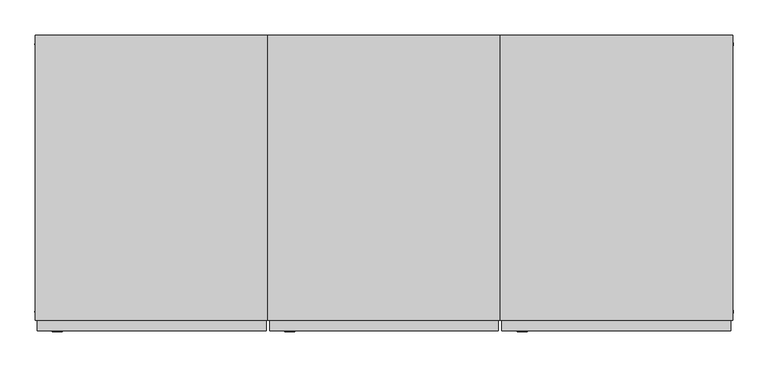
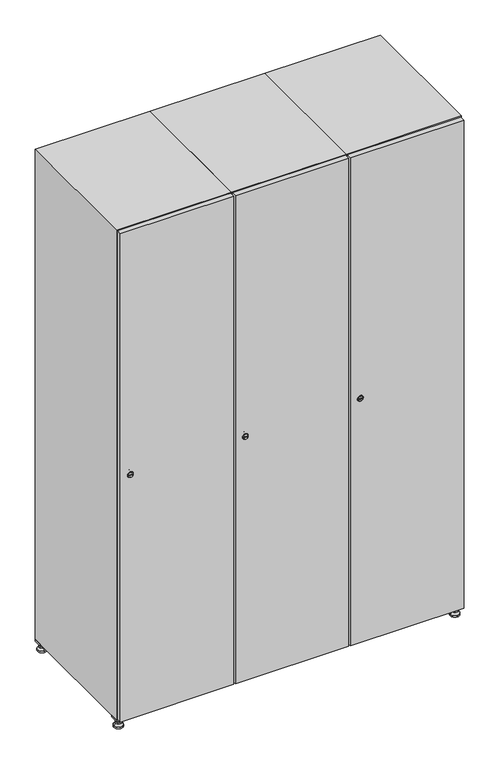
"""IFC4 building model written with IfcOpenShell, lengths in millimetres: furniture geometry."""

from ifc_helpers import new_model, si_unit, point, frame, frame_2d, origin, origin_with_axes, place, context, project, spatial, polyline, circle_curve, trimmed, segment, composite_curve, outline, extrude, faceted_brep, source, transform, mapped, element, save
from ifc_brep_helpers import plane_surface, revolved_surface, advanced_brep


def furniture_d18a1c43(model_context):
    return source(origin(), model_context, "Body", "SolidModel", [
        extrude(outline(polyline([(1000.0, 245.0), (1000.0, 215.0), (970.0, 215.0), (970.0, 245.0), (1000.0, 245.0)]), holes=[polyline([(998.0, 243.0), (972.0, 243.0), (972.0, 217.0), (998.0, 217.0), (998.0, 243.0)])]), frame((0.0, 0.0, 28.5), z_axis=(0.0, 0.0, 1.0), x_axis=(1.0, 0.0, 0.0)), (0.0, 0.0, 1.0), 6.5),
        extrude(outline(polyline([(970.0, -245.0), (970.0, -215.0), (1000.0, -215.0), (1000.0, -245.0), (970.0, -245.0)]), holes=[polyline([(972.0, -243.0), (998.0, -243.0), (998.0, -217.0), (972.0, -217.0), (972.0, -243.0)])]), frame((0.0, 0.0, 28.5), z_axis=(0.0, 0.0, 1.0), x_axis=(1.0, 0.0, 0.0)), (0.0, 0.0, 1.0), 6.5),
        extrude(outline(polyline([(-170.0, 245.0), (-170.0, 215.0), (-200.0, 215.0), (-200.0, 245.0), (-170.0, 245.0)]), holes=[polyline([(-172.0, 243.0), (-198.0, 243.0), (-198.0, 217.0), (-172.0, 217.0), (-172.0, 243.0)])]), frame((0.0, 0.0, 28.5), z_axis=(0.0, 0.0, 1.0), x_axis=(1.0, 0.0, 0.0)), (0.0, 0.0, 1.0), 6.5),
        extrude(outline(polyline([(-170.0, -215.0), (-170.0, -245.0), (-200.0, -245.0), (-200.0, -215.0), (-170.0, -215.0)]), holes=[polyline([(-198.0, -243.0), (-172.0, -243.0), (-172.0, -217.0), (-198.0, -217.0), (-198.0, -243.0)])]), frame((0.0, 0.0, 28.5), z_axis=(0.0, 0.0, 1.0), x_axis=(1.0, 0.0, 0.0)), (0.0, 0.0, 1.0), 6.5),
        extrude(outline(composite_curve([segment(trimmed(circle_curve(frame_2d((-185.0, 230.0)), 5.0), [point((-180.0, 230.0))], [point((-190.0, 230.0))], False, "CARTESIAN"), True, "CONTINUOUS"), segment(trimmed(circle_curve(frame_2d((-185.0, 230.0)), 5.0), [point((-190.0, 230.0))], [point((-180.0, 230.0))], False, "CARTESIAN"), True, "CONTINUOUS")], self_intersect=False)), frame((0.0, 0.0, 19.6), z_axis=(0.0, 0.0, 1.0), x_axis=(1.0, 0.0, 0.0)), (0.0, 0.0, 1.0), 15.4),
        extrude(outline(composite_curve([segment(trimmed(circle_curve(frame_2d((-185.0, -230.0)), 5.0), [point((-180.0, -230.0))], [point((-190.0, -230.0))], False, "CARTESIAN"), True, "CONTINUOUS"), segment(trimmed(circle_curve(frame_2d((-185.0, -230.0)), 5.0), [point((-190.0, -230.0))], [point((-180.0, -230.0))], False, "CARTESIAN"), True, "CONTINUOUS")], self_intersect=False)), frame((0.0, 0.0, 19.6), z_axis=(0.0, 0.0, 1.0), x_axis=(1.0, 0.0, 0.0)), (0.0, 0.0, 1.0), 15.4),
        extrude(outline(composite_curve([segment(trimmed(circle_curve(frame_2d((985.0, 230.0)), 5.0), [point((990.0, 230.0))], [point((980.0, 230.0))], False, "CARTESIAN"), True, "CONTINUOUS"), segment(trimmed(circle_curve(frame_2d((985.0, 230.0)), 5.0), [point((980.0, 230.0))], [point((990.0, 230.0))], False, "CARTESIAN"), True, "CONTINUOUS")], self_intersect=False)), frame((0.0, 0.0, 19.6), z_axis=(0.0, 0.0, 1.0), x_axis=(1.0, 0.0, 0.0)), (0.0, 0.0, 1.0), 15.4),
        extrude(outline(polyline([(973.4529946, 230.0), (979.2264973, 240.0), (990.7735027, 240.0), (996.5470054, 230.0), (990.7735027, 220.0), (979.2264973, 220.0), (973.4529946, 230.0)])), frame((0.0, 0.0, 13.6), z_axis=(0.0, 0.0, 1.0), x_axis=(1.0, 0.0, 0.0)), (0.0, 0.0, 1.0), 6.0),
        extrude(outline(composite_curve([segment(trimmed(circle_curve(frame_2d((985.0, -230.0)), 5.0), [point((990.0, -230.0))], [point((980.0, -230.0))], False, "CARTESIAN"), True, "CONTINUOUS"), segment(trimmed(circle_curve(frame_2d((985.0, -230.0)), 5.0), [point((980.0, -230.0))], [point((990.0, -230.0))], False, "CARTESIAN"), True, "CONTINUOUS")], self_intersect=False)), frame((0.0, 0.0, 19.6), z_axis=(0.0, 0.0, 1.0), x_axis=(1.0, 0.0, 0.0)), (0.0, 0.0, 1.0), 15.4),
        extrude(outline(polyline([(973.4529946, -230.0), (979.2264973, -220.0), (990.7735027, -220.0), (996.5470054, -230.0), (990.7735027, -240.0), (979.2264973, -240.0), (973.4529946, -230.0)])), frame((0.0, 0.0, 13.6), z_axis=(0.0, 0.0, 1.0), x_axis=(1.0, 0.0, 0.0)), (0.0, 0.0, 1.0), 6.0),
        extrude(outline(composite_curve([segment(trimmed(circle_curve(frame_2d((985.0, 230.0)), 5.0), [point((990.0, 230.0))], [point((980.0, 230.0))], False, "CARTESIAN"), True, "CONTINUOUS"), segment(trimmed(circle_curve(frame_2d((985.0, 230.0)), 5.0), [point((980.0, 230.0))], [point((990.0, 230.0))], False, "CARTESIAN"), True, "CONTINUOUS")], self_intersect=False)), frame((0.0, 0.0, 12.1), z_axis=(0.0, 0.0, 1.0), x_axis=(1.0, 0.0, 0.0)), (0.0, 0.0, 1.0), 1.5),
        extrude(outline(composite_curve([segment(trimmed(circle_curve(frame_2d((985.0, -230.0)), 5.0), [point((990.0, -230.0))], [point((980.0, -230.0))], False, "CARTESIAN"), True, "CONTINUOUS"), segment(trimmed(circle_curve(frame_2d((985.0, -230.0)), 5.0), [point((980.0, -230.0))], [point((990.0, -230.0))], False, "CARTESIAN"), True, "CONTINUOUS")], self_intersect=False)), frame((0.0, 0.0, 12.1), z_axis=(0.0, 0.0, 1.0), x_axis=(1.0, 0.0, 0.0)), (0.0, 0.0, 1.0), 1.5),
        extrude(outline(polyline([(-196.5470054, 230.0), (-190.7735027, 240.0), (-179.2264973, 240.0), (-173.4529946, 230.0), (-179.2264973, 220.0), (-190.7735027, 220.0), (-196.5470054, 230.0)])), frame((0.0, 0.0, 13.6), z_axis=(0.0, 0.0, 1.0), x_axis=(1.0, 0.0, 0.0)), (0.0, 0.0, 1.0), 6.0),
        extrude(outline(polyline([(-196.5470054, -230.0), (-190.7735027, -220.0), (-179.2264973, -220.0), (-173.4529946, -230.0), (-179.2264973, -240.0), (-190.7735027, -240.0), (-196.5470054, -230.0)])), frame((0.0, 0.0, 13.6), z_axis=(0.0, 0.0, 1.0), x_axis=(1.0, 0.0, 0.0)), (0.0, 0.0, 1.0), 6.0),
        extrude(outline(composite_curve([segment(trimmed(circle_curve(frame_2d((-185.0, 230.0)), 5.0), [point((-185.0, 235.0))], [point((-185.0, 225.0))], False, "CARTESIAN"), True, "CONTINUOUS"), segment(trimmed(circle_curve(frame_2d((-185.0, 230.0)), 5.0), [point((-185.0, 225.0))], [point((-185.0, 235.0))], False, "CARTESIAN"), True, "CONTINUOUS")], self_intersect=False)), frame((0.0, 0.0, 12.1), z_axis=(0.0, 0.0, 1.0), x_axis=(1.0, 0.0, 0.0)), (0.0, 0.0, 1.0), 1.5),
        extrude(outline(composite_curve([segment(trimmed(circle_curve(frame_2d((-185.0, -230.0)), 5.0), [point((-180.0, -230.0))], [point((-190.0, -230.0))], False, "CARTESIAN"), True, "CONTINUOUS"), segment(trimmed(circle_curve(frame_2d((-185.0, -230.0)), 5.0), [point((-190.0, -230.0))], [point((-180.0, -230.0))], False, "CARTESIAN"), True, "CONTINUOUS")], self_intersect=False)), frame((0.0, 0.0, 12.1), z_axis=(0.0, 0.0, 1.0), x_axis=(1.0, 0.0, 0.0)), (0.0, 0.0, 1.0), 1.5),
        extrude(outline(composite_curve([segment(trimmed(circle_curve(frame_2d((985.0, 230.0)), 15.75), [point((1000.75, 230.0))], [point((969.25, 230.0))], False, "CARTESIAN"), True, "CONTINUOUS"), segment(trimmed(circle_curve(frame_2d((985.0, 230.0)), 15.75), [point((969.25, 230.0))], [point((1000.75, 230.0))], False, "CARTESIAN"), True, "CONTINUOUS")], self_intersect=False)), origin_with_axes(), (0.0, 0.0, 1.0), 5.1),
        extrude(outline(composite_curve([segment(trimmed(circle_curve(frame_2d((985.0, -230.0)), 15.75), [point((985.0, -214.25))], [point((985.0, -245.75))], False, "CARTESIAN"), True, "CONTINUOUS"), segment(trimmed(circle_curve(frame_2d((985.0, -230.0)), 15.75), [point((985.0, -245.75))], [point((985.0, -214.25))], False, "CARTESIAN"), True, "CONTINUOUS")], self_intersect=False)), origin_with_axes(), (0.0, 0.0, 1.0), 5.1),
        extrude(outline(composite_curve([segment(trimmed(circle_curve(frame_2d((-185.0, -230.0)), 15.75), [point((-169.25, -230.0))], [point((-200.75, -230.0))], False, "CARTESIAN"), True, "CONTINUOUS"), segment(trimmed(circle_curve(frame_2d((-185.0, -230.0)), 15.75), [point((-200.75, -230.0))], [point((-169.25, -230.0))], False, "CARTESIAN"), True, "CONTINUOUS")], self_intersect=False)), origin_with_axes(), (0.0, 0.0, 1.0), 5.1),
        extrude(outline(composite_curve([segment(trimmed(circle_curve(frame_2d((-185.0, 230.0)), 15.75), [point((-169.25, 230.0))], [point((-200.75, 230.0))], False, "CARTESIAN"), True, "CONTINUOUS"), segment(trimmed(circle_curve(frame_2d((-185.0, 230.0)), 15.75), [point((-200.75, 230.0))], [point((-169.25, 230.0))], False, "CARTESIAN"), True, "CONTINUOUS")], self_intersect=False)), origin_with_axes(), (0.0, 0.0, 1.0), 5.1),
        advanced_brep(
        [(-185.0, 239.5, 12.1), (-185.0, 220.5, 12.1), (-185.0, 214.25, 5.1), (-185.0, 245.75, 5.1)],
        [
            (0, 1, circle_curve(frame((-185.0, 230.0, 12.1), z_axis=(0.0, 0.0, -1.0), x_axis=(0.0, 1.0, 0.0)), 9.5)),
            (1, 2),
            (2, 3, circle_curve(frame((-185.0, 230.0, 5.1), z_axis=(0.0, 0.0, 1.0), x_axis=(0.0, 1.0, 0.0)), 15.75)),
            (3, 0),
            (1, 0, circle_curve(frame((-185.0, 230.0, 12.1), z_axis=(0.0, 0.0, -1.0), x_axis=(0.0, -1.0, 0.0)), 9.5)),
            (3, 2, circle_curve(frame((-185.0, 230.0, 5.1), z_axis=(0.0, 0.0, 1.0), x_axis=(0.0, -1.0, 0.0)), 15.75)),
        ],
        [
            revolved_surface(polyline([(-185.0, 220.5, 12.099999999999998), (-185.0, 214.25, 5.099999999999998)]), (-185.0, 230.0, 22.74), (0.0, 0.0, -1.0)),
            revolved_surface(polyline([(-185.0, 239.5, 12.099999999999998), (-185.0, 245.75, 5.099999999999998)]), (-185.0, 230.0, 22.74), (0.0, 0.0, -1.0)),
            plane_surface(frame((-185.0, 230.0, 5.1), z_axis=(0.0, 0.0, -1.0), x_axis=(1.0, 0.0, 0.0))),
            plane_surface(frame((-185.0, 230.0, 12.1), z_axis=(0.0, 0.0, 1.0), x_axis=(1.0, 0.0, 0.0))),
        ],
        [
            (0, [[1, 2, 3, 4]]),
            (1, [[5, -4, 6, -2]]),
            (2, [[-3, -6]]),
            (3, [[-5, -1]]),
        ],
    ),
        advanced_brep(
        [(985.0, 239.5, 12.1), (985.0, 220.5, 12.1), (985.0, 214.25, 5.1), (985.0, 245.75, 5.1)],
        [
            (0, 1, circle_curve(frame((985.0, 230.0, 12.1), z_axis=(0.0, 0.0, -1.0), x_axis=(0.0, 1.0, 0.0)), 9.5)),
            (1, 2),
            (2, 3, circle_curve(frame((985.0, 230.0, 5.1), z_axis=(0.0, 0.0, 1.0), x_axis=(0.0, 1.0, 0.0)), 15.75)),
            (3, 0),
            (1, 0, circle_curve(frame((985.0, 230.0, 12.1), z_axis=(0.0, 0.0, -1.0), x_axis=(0.0, -1.0, 0.0)), 9.5)),
            (3, 2, circle_curve(frame((985.0, 230.0, 5.1), z_axis=(0.0, 0.0, 1.0), x_axis=(0.0, -1.0, 0.0)), 15.75)),
        ],
        [
            revolved_surface(polyline([(985.0, 220.5, 12.099999999999998), (985.0, 214.25, 5.099999999999998)]), (985.0, 230.0, 22.74), (0.0, 0.0, -1.0)),
            revolved_surface(polyline([(985.0, 239.5, 12.099999999999998), (985.0, 245.75, 5.099999999999998)]), (985.0, 230.0, 22.74), (0.0, 0.0, -1.0)),
            plane_surface(frame((985.0, 230.0, 5.1), z_axis=(0.0, 0.0, -1.0), x_axis=(1.0, 0.0, 0.0))),
            plane_surface(frame((985.0, 230.0, 12.1), z_axis=(0.0, 0.0, 1.0), x_axis=(1.0, 0.0, 0.0))),
        ],
        [
            (0, [[1, 2, 3, 4]]),
            (1, [[5, -4, 6, -2]]),
            (2, [[-3, -6]]),
            (3, [[-5, -1]]),
        ],
    ),
        advanced_brep(
        [(1000.75, -230.0, 5.1), (969.25, -230.0, 5.1), (975.5, -230.0, 12.1), (994.5, -230.0, 12.1)],
        [
            (0, 1, circle_curve(frame((985.0, -230.0, 5.1), z_axis=(0.0, 0.0, 1.0), x_axis=(1.0, 0.0, 0.0)), 15.75)),
            (1, 2),
            (2, 3, circle_curve(frame((985.0, -230.0, 12.1), z_axis=(0.0, 0.0, -1.0), x_axis=(1.0, 0.0, 0.0)), 9.5)),
            (3, 0),
            (1, 0, circle_curve(frame((985.0, -230.0, 5.1), z_axis=(0.0, 0.0, 1.0), x_axis=(-1.0, 0.0, 0.0)), 15.75)),
            (3, 2, circle_curve(frame((985.0, -230.0, 12.1), z_axis=(0.0, 0.0, -1.0), x_axis=(-1.0, 0.0, 0.0)), 9.5)),
        ],
        [
            revolved_surface(polyline([(994.5, -230.0, 12.099999999999998), (1000.75, -230.0, 5.099999999999998)]), (985.0, -230.0, 22.74), (0.0, 0.0, -1.0)),
            revolved_surface(polyline([(975.5, -230.0, 12.099999999999998), (969.25, -230.0, 5.099999999999998)]), (985.0, -230.0, 22.74), (0.0, 0.0, -1.0)),
            plane_surface(frame((985.0, -230.0, 12.1), z_axis=(0.0, 0.0, 1.0), x_axis=(0.0, 1.0, 0.0))),
            plane_surface(frame((985.0, -230.0, 5.1), z_axis=(0.0, 0.0, -1.0), x_axis=(0.0, 1.0, 0.0))),
        ],
        [
            (0, [[1, 2, 3, 4]]),
            (1, [[5, -4, 6, -2]]),
            (2, [[-3, -6]]),
            (3, [[-5, -1]]),
        ],
    ),
        advanced_brep(
        [(-169.25, -230.0, 5.1), (-200.75, -230.0, 5.1), (-194.5, -230.0, 12.1), (-175.5, -230.0, 12.1)],
        [
            (0, 1, circle_curve(frame((-185.0, -230.0, 5.1), z_axis=(0.0, 0.0, 1.0), x_axis=(1.0, 0.0, 0.0)), 15.75)),
            (1, 2),
            (2, 3, circle_curve(frame((-185.0, -230.0, 12.1), z_axis=(0.0, 0.0, -1.0), x_axis=(1.0, 0.0, 0.0)), 9.5)),
            (3, 0),
            (1, 0, circle_curve(frame((-185.0, -230.0, 5.1), z_axis=(0.0, 0.0, 1.0), x_axis=(-1.0, 0.0, 0.0)), 15.75)),
            (3, 2, circle_curve(frame((-185.0, -230.0, 12.1), z_axis=(0.0, 0.0, -1.0), x_axis=(-1.0, 0.0, 0.0)), 9.5)),
        ],
        [
            revolved_surface(polyline([(-175.5, -230.0, 12.099999999999998), (-169.25, -230.0, 5.099999999999998)]), (-185.0, -230.0, 22.74), (0.0, 0.0, -1.0)),
            revolved_surface(polyline([(-194.5, -230.0, 12.099999999999998), (-200.75, -230.0, 5.099999999999998)]), (-185.0, -230.0, 22.74), (0.0, 0.0, -1.0)),
            plane_surface(frame((-185.0, -230.0, 12.1), z_axis=(0.0, 0.0, 1.0), x_axis=(0.0, 1.0, 0.0))),
            plane_surface(frame((-185.0, -230.0, 5.1), z_axis=(0.0, 0.0, -1.0), x_axis=(0.0, 1.0, 0.0))),
        ],
        [
            (0, [[1, 2, 3, 4]]),
            (1, [[5, -4, 6, -2]]),
            (2, [[-3, -6]]),
            (3, [[-5, -1]]),
        ],
    ),
        extrude(outline(composite_curve([segment(trimmed(circle_curve(frame_2d((935.0, 611.2010534)), 7.0), [point((942.0, 611.2010534))], [point((928.0, 611.2010534))], False, "CARTESIAN"), True, "CONTINUOUS"), segment(polyline([(928.0, 611.2010534), (928.0, 639.2010534)]), True, "CONTINUOUS"), segment(trimmed(circle_curve(frame_2d((935.0, 639.2010534)), 7.0), [point((928.0, 639.2010534))], [point((942.0, 639.2010534))], False, "CARTESIAN"), True, "CONTINUOUS"), segment(polyline([(942.0, 639.2010534), (942.0, 611.2010534)]), True, "CONTINUOUS")], self_intersect=False)), frame((0.0, -245.0, 0.0), z_axis=(0.0, 1.0, 0.0), x_axis=(0.0, 0.0, 1.0)), (0.0, 0.0, 1.0), 2.0),
        advanced_brep(
        [(646.5, -265.2, 935.0), (629.5, -265.2, 935.0), (633.0, -265.2, 933.75), (633.0, -265.2, 936.25), (643.0, -265.2, 936.25), (643.0, -265.2, 933.75), (648.5, -263.0, 935.0), (627.5, -263.0, 935.0), (633.0, -263.0, 936.25), (633.0, -263.0, 933.75), (643.0, -263.0, 933.75), (643.0, -263.0, 936.25)],
        [
            (0, 1, circle_curve(frame((638.0, -265.2, 935.0), z_axis=(0.0, -1.0, 0.0), x_axis=(1.0, 0.0, 0.0)), 8.5)),
            (1, 0, circle_curve(frame((638.0, -265.2, 935.0), z_axis=(0.0, -1.0, 0.0), x_axis=(-1.0, 0.0, 0.0)), 8.5)),
            (2, 3),
            (3, 4),
            (4, 5),
            (5, 2),
            (6, 7, circle_curve(frame((638.0, -263.0, 935.0), z_axis=(0.0, 1.0, 0.0), x_axis=(-1.0, 0.0, 0.0)), 10.5)),
            (7, 6, circle_curve(frame((638.0, -263.0, 935.0), z_axis=(0.0, 1.0, 0.0), x_axis=(1.0, 0.0, 0.0)), 10.5)),
            (8, 9),
            (9, 10),
            (10, 11),
            (11, 8),
            (0, 6),
            (7, 1),
            (8, 3),
            (2, 9),
            (11, 4),
            (10, 5),
        ],
        [
            plane_surface(frame((638.0, -265.2, 935.0), z_axis=(0.0, -1.0, 0.0), x_axis=(0.0, 0.0, 1.0))),
            plane_surface(frame((638.0, -263.0, 935.0), z_axis=(0.0, 1.0, 0.0), x_axis=(0.0, 0.0, 1.0))),
            revolved_surface(polyline([(646.5, -265.2, 935.0), (648.5, -263.0, 935.0)]), (638.0, -274.55, 935.0), (0.0, 1.0, 0.0)),
            revolved_surface(polyline([(629.5, -265.2, 935.0), (627.5, -263.0, 935.0)]), (638.0, -274.55, 935.0), (0.0, 1.0, 0.0)),
            plane_surface(frame((633.0, -263.0, 933.75), z_axis=(1.0, 0.0, 0.0), x_axis=(0.0, -1.0, 0.0))),
            plane_surface(frame((633.0, -263.0, 936.25), z_axis=(0.0, 0.0, -1.0), x_axis=(0.0, -1.0, 0.0))),
            plane_surface(frame((643.0, -263.0, 936.25), z_axis=(-1.0, 0.0, 0.0), x_axis=(0.0, -1.0, 0.0))),
            plane_surface(frame((643.0, -263.0, 933.75), z_axis=(0.0, 0.0, 1.0), x_axis=(0.0, -1.0, 0.0))),
        ],
        [
            (0, [[1, 2], [3, 4, 5, 6]]),
            (1, [[7, 8], [9, 10, 11, 12]]),
            (2, [[-1, 13, -8, 14]]),
            (3, [[-2, -14, -7, -13]]),
            (4, [[15, -3, 16, -9]]),
            (5, [[-15, -12, 17, -4]]),
            (6, [[-17, -11, 18, -5]]),
            (7, [[-16, -6, -18, -10]]),
        ],
    ),
        extrude(outline(polyline([(997.0, -245.0), (997.0, -263.0), (603.0, -263.0), (603.0, -245.0), (997.0, -245.0)])), frame((0.0, 0.0, 38.0), z_axis=(0.0, 0.0, 1.0), x_axis=(1.0, 0.0, 0.0)), (0.0, 0.0, 1.0), 1794.0),
        faceted_brep([(1000.0, -245.0, 35.0), (1000.0, -245.0, 1835.0), (600.0, -245.0, 1835.0), (600.0, -245.0, 35.0), (979.6, -245.0, 1804.8), (979.6, -245.0, 65.2), (620.4, -245.0, 65.2), (620.4, -245.0, 1804.8), (1000.0, 245.0, 35.0), (600.0, 245.0, 35.0), (1000.0, 245.0, 1835.0), (600.0, 245.0, 1835.0), (979.6, 242.0, 1804.8), (979.6, 242.0, 65.2), (600.0, 245.0, 1804.8), (620.4, 242.0, 1804.8), (620.4, 242.0, 65.2)], [[[0, 1, 2, 3], [4, 5, 6, 7]], [[8, 0, 3, 9]], [[1, 0, 8, 10]], [[1, 10, 11, 2]], [[4, 12, 13, 5]], [[9, 3, 2, 11, 14]], [[10, 8, 9, 14, 11]], [[12, 15, 16, 13]], [[15, 7, 6, 16]], [[4, 7, 15, 12]], [[6, 5, 13, 16]]]),
        extrude(outline(composite_curve([segment(trimmed(circle_curve(frame_2d((935.0, 211.2010534)), 7.0), [point((942.0, 211.2010534))], [point((928.0, 211.2010534))], False, "CARTESIAN"), True, "CONTINUOUS"), segment(polyline([(928.0, 211.2010534), (928.0, 239.2010534)]), True, "CONTINUOUS"), segment(trimmed(circle_curve(frame_2d((935.0, 239.2010534)), 7.0), [point((928.0, 239.2010534))], [point((942.0, 239.2010534))], False, "CARTESIAN"), True, "CONTINUOUS"), segment(polyline([(942.0, 239.2010534), (942.0, 211.2010534)]), True, "CONTINUOUS")], self_intersect=False)), frame((0.0, -245.0, 0.0), z_axis=(0.0, 1.0, 0.0), x_axis=(0.0, 0.0, 1.0)), (0.0, 0.0, 1.0), 2.0),
        advanced_brep(
        [(246.5, -265.2, 935.0), (229.5, -265.2, 935.0), (233.0, -265.2, 933.75), (233.0, -265.2, 936.25), (243.0, -265.2, 936.25), (243.0, -265.2, 933.75), (248.5, -263.0, 935.0), (227.5, -263.0, 935.0), (233.0, -263.0, 936.25), (233.0, -263.0, 933.75), (243.0, -263.0, 933.75), (243.0, -263.0, 936.25)],
        [
            (0, 1, circle_curve(frame((238.0, -265.2, 935.0), z_axis=(0.0, -1.0, 0.0), x_axis=(1.0, 0.0, 0.0)), 8.5)),
            (1, 0, circle_curve(frame((238.0, -265.2, 935.0), z_axis=(0.0, -1.0, 0.0), x_axis=(-1.0, 0.0, 0.0)), 8.5)),
            (2, 3),
            (3, 4),
            (4, 5),
            (5, 2),
            (6, 7, circle_curve(frame((238.0, -263.0, 935.0), z_axis=(0.0, 1.0, 0.0), x_axis=(-1.0, 0.0, 0.0)), 10.5)),
            (7, 6, circle_curve(frame((238.0, -263.0, 935.0), z_axis=(0.0, 1.0, 0.0), x_axis=(1.0, 0.0, 0.0)), 10.5)),
            (8, 9),
            (9, 10),
            (10, 11),
            (11, 8),
            (0, 6),
            (7, 1),
            (8, 3),
            (2, 9),
            (11, 4),
            (10, 5),
        ],
        [
            plane_surface(frame((238.0, -265.2, 935.0), z_axis=(0.0, -1.0, 0.0), x_axis=(0.0, 0.0, 1.0))),
            plane_surface(frame((238.0, -263.0, 935.0), z_axis=(0.0, 1.0, 0.0), x_axis=(0.0, 0.0, 1.0))),
            revolved_surface(polyline([(246.5, -265.2, 935.0), (248.5, -263.0, 935.0)]), (238.0, -274.55, 935.0), (0.0, 1.0, 0.0)),
            revolved_surface(polyline([(229.5, -265.2, 935.0), (227.5, -263.0, 935.0)]), (238.0, -274.55, 935.0), (0.0, 1.0, 0.0)),
            plane_surface(frame((233.0, -263.0, 933.75), z_axis=(1.0, 0.0, 0.0), x_axis=(0.0, -1.0, 0.0))),
            plane_surface(frame((233.0, -263.0, 936.25), z_axis=(0.0, 0.0, -1.0), x_axis=(0.0, -1.0, 0.0))),
            plane_surface(frame((243.0, -263.0, 936.25), z_axis=(-1.0, 0.0, 0.0), x_axis=(0.0, -1.0, 0.0))),
            plane_surface(frame((243.0, -263.0, 933.75), z_axis=(0.0, 0.0, 1.0), x_axis=(0.0, -1.0, 0.0))),
        ],
        [
            (0, [[1, 2], [3, 4, 5, 6]]),
            (1, [[7, 8], [9, 10, 11, 12]]),
            (2, [[-1, 13, -8, 14]]),
            (3, [[-2, -14, -7, -13]]),
            (4, [[15, -3, 16, -9]]),
            (5, [[-15, -12, 17, -4]]),
            (6, [[-17, -11, 18, -5]]),
            (7, [[-16, -6, -18, -10]]),
        ],
    ),
        extrude(outline(polyline([(597.0, -245.0), (597.0, -263.0), (203.0, -263.0), (203.0, -245.0), (597.0, -245.0)])), frame((0.0, 0.0, 38.0), z_axis=(0.0, 0.0, 1.0), x_axis=(1.0, 0.0, 0.0)), (0.0, 0.0, 1.0), 1794.0),
        faceted_brep([(600.0, -245.0, 35.0), (600.0, -245.0, 1835.0), (200.0, -245.0, 1835.0), (200.0, -245.0, 35.0), (579.6, -245.0, 1804.8), (579.6, -245.0, 65.2), (220.4, -245.0, 65.2), (220.4, -245.0, 1804.8), (600.0, 245.0, 35.0), (200.0, 245.0, 35.0), (600.0, 245.0, 1835.0), (200.0, 245.0, 1835.0), (579.6, 242.0, 1804.8), (579.6, 242.0, 65.2), (200.0, 245.0, 1804.8), (220.4, 242.0, 1804.8), (220.4, 242.0, 65.2)], [[[0, 1, 2, 3], [4, 5, 6, 7]], [[8, 0, 3, 9]], [[1, 0, 8, 10]], [[1, 10, 11, 2]], [[4, 12, 13, 5]], [[9, 3, 2, 11, 14]], [[10, 8, 9, 14, 11]], [[12, 15, 16, 13]], [[15, 7, 6, 16]], [[4, 7, 15, 12]], [[6, 5, 13, 16]]]),
        extrude(outline(composite_curve([segment(trimmed(circle_curve(frame_2d((935.0, -188.7989466)), 7.0), [point((942.0, -188.7989466))], [point((928.0, -188.7989466))], False, "CARTESIAN"), True, "CONTINUOUS"), segment(polyline([(928.0, -188.7989466), (928.0, -160.7989466)]), True, "CONTINUOUS"), segment(trimmed(circle_curve(frame_2d((935.0, -160.7989466)), 7.0), [point((928.0, -160.7989466))], [point((942.0, -160.7989466))], False, "CARTESIAN"), True, "CONTINUOUS"), segment(polyline([(942.0, -160.7989466), (942.0, -188.7989466)]), True, "CONTINUOUS")], self_intersect=False)), frame((0.0, -245.0, 0.0), z_axis=(0.0, 1.0, 0.0), x_axis=(0.0, 0.0, 1.0)), (0.0, 0.0, 1.0), 2.0),
        advanced_brep(
        [(-153.5, -265.2, 935.0), (-170.5, -265.2, 935.0), (-167.0, -265.2, 933.75), (-167.0, -265.2, 936.25), (-157.0, -265.2, 936.25), (-157.0, -265.2, 933.75), (-151.5, -263.0, 935.0), (-172.5, -263.0, 935.0), (-167.0, -263.0, 936.25), (-167.0, -263.0, 933.75), (-157.0, -263.0, 933.75), (-157.0, -263.0, 936.25)],
        [
            (0, 1, circle_curve(frame((-162.0, -265.2, 935.0), z_axis=(0.0, -1.0, 0.0), x_axis=(1.0, 0.0, 0.0)), 8.5)),
            (1, 0, circle_curve(frame((-162.0, -265.2, 935.0), z_axis=(0.0, -1.0, 0.0), x_axis=(-1.0, 0.0, 0.0)), 8.5)),
            (2, 3),
            (3, 4),
            (4, 5),
            (5, 2),
            (6, 7, circle_curve(frame((-162.0, -263.0, 935.0), z_axis=(0.0, 1.0, 0.0), x_axis=(-1.0, 0.0, 0.0)), 10.5)),
            (7, 6, circle_curve(frame((-162.0, -263.0, 935.0), z_axis=(0.0, 1.0, 0.0), x_axis=(1.0, 0.0, 0.0)), 10.5)),
            (8, 9),
            (9, 10),
            (10, 11),
            (11, 8),
            (0, 6),
            (7, 1),
            (8, 3),
            (2, 9),
            (11, 4),
            (10, 5),
        ],
        [
            plane_surface(frame((-162.0, -265.2, 935.0), z_axis=(0.0, -1.0, 0.0), x_axis=(0.0, 0.0, 1.0))),
            plane_surface(frame((-162.0, -263.0, 935.0), z_axis=(0.0, 1.0, 0.0), x_axis=(0.0, 0.0, 1.0))),
            revolved_surface(polyline([(-153.5, -265.2, 935.0), (-151.5, -263.0, 935.0)]), (-162.0, -274.55, 935.0), (0.0, 1.0, 0.0)),
            revolved_surface(polyline([(-170.5, -265.2, 935.0), (-172.5, -263.0, 935.0)]), (-162.0, -274.55, 935.0), (0.0, 1.0, 0.0)),
            plane_surface(frame((-167.0, -263.0, 933.75), z_axis=(1.0, 0.0, 0.0), x_axis=(0.0, -1.0, 0.0))),
            plane_surface(frame((-167.0, -263.0, 936.25), z_axis=(0.0, 0.0, -1.0), x_axis=(0.0, -1.0, 0.0))),
            plane_surface(frame((-157.0, -263.0, 936.25), z_axis=(-1.0, 0.0, 0.0), x_axis=(0.0, -1.0, 0.0))),
            plane_surface(frame((-157.0, -263.0, 933.75), z_axis=(0.0, 0.0, 1.0), x_axis=(0.0, -1.0, 0.0))),
        ],
        [
            (0, [[1, 2], [3, 4, 5, 6]]),
            (1, [[7, 8], [9, 10, 11, 12]]),
            (2, [[-1, 13, -8, 14]]),
            (3, [[-2, -14, -7, -13]]),
            (4, [[15, -3, 16, -9]]),
            (5, [[-15, -12, 17, -4]]),
            (6, [[-17, -11, 18, -5]]),
            (7, [[-16, -6, -18, -10]]),
        ],
    ),
        extrude(outline(polyline([(197.0, -245.0), (197.0, -263.0), (-197.0, -263.0), (-197.0, -245.0), (197.0, -245.0)])), frame((0.0, 0.0, 38.0), z_axis=(0.0, 0.0, 1.0), x_axis=(1.0, 0.0, 0.0)), (0.0, 0.0, 1.0), 1794.0),
        faceted_brep([(200.0, -245.0, 35.0), (200.0, -245.0, 1835.0), (-200.0, -245.0, 1835.0), (-200.0, -245.0, 35.0), (179.6, -245.0, 1804.8), (179.6, -245.0, 65.2), (-179.6, -245.0, 65.2), (-179.6, -245.0, 1804.8), (200.0, 245.0, 35.0), (-200.0, 245.0, 35.0), (200.0, 245.0, 1835.0), (-200.0, 245.0, 1835.0), (179.6, 242.0, 1804.8), (179.6, 242.0, 65.2), (-200.0, 245.0, 1804.8), (-179.6, 242.0, 1804.8), (-179.6, 242.0, 65.2)], [[[0, 1, 2, 3], [4, 5, 6, 7]], [[8, 0, 3, 9]], [[1, 0, 8, 10]], [[1, 10, 11, 2]], [[4, 12, 13, 5]], [[9, 3, 2, 11, 14]], [[10, 8, 9, 14, 11]], [[12, 15, 16, 13]], [[15, 7, 6, 16]], [[4, 7, 15, 12]], [[6, 5, 13, 16]]]),
    ])


if __name__ == "__main__":
    model = new_model("IFC4")
    model_context = context("Model", 3, world=origin())
    ifc_project = project(units=[si_unit("LENGTHUNIT", "METRE", prefix="MILLI")], contexts=[model_context])
    site = spatial("IfcSite", under=ifc_project)
    building = spatial("IfcBuilding", under=site)
    placement = place(None, origin())
    furniture_shape = furniture_d18a1c43(model_context)
    element("IfcFurniture", 1, at=placement, inside=building, context=model_context, shape_type="MappedRepresentation", body=[
        mapped(furniture_shape, transform((0.0, 0.0, 0.0), x_axis=(1.0, 0.0, 0.0), y_axis=(0.0, 1.0, 0.0), z_axis=(0.0, 0.0, 1.0))),
    ])
    save(model, "model.ifc")
